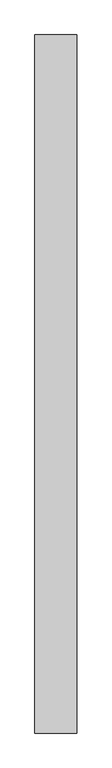
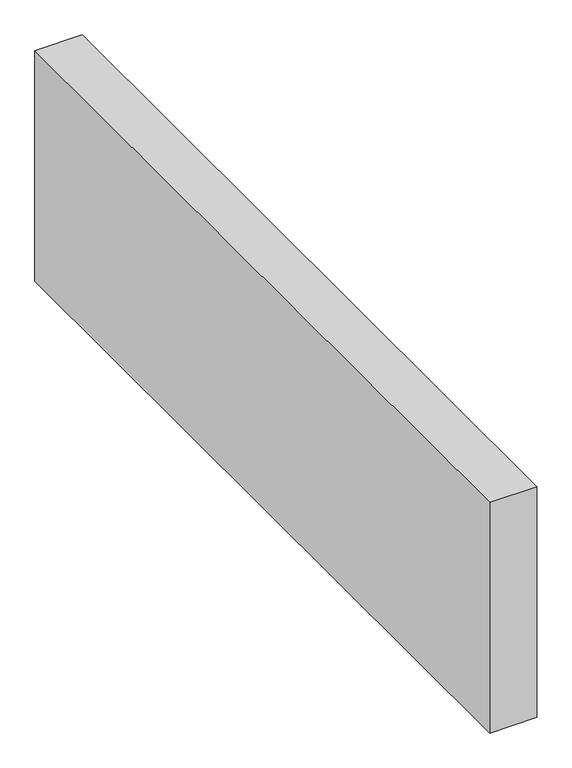
"""IFC4 building model written with IfcOpenShell, lengths in millimetres: proxy geometry."""

from ifc_helpers import new_model, si_unit, origin, origin_with_axes, place, context, project, spatial, polyline, outline, extrude, source, transform, mapped, element, save


def generic_models_dee18dba(model_context):
    return source(origin(), model_context, "Body", "SweptSolid", [
        extrude(outline(polyline([(150.0, 2505.263378), (150.0, 0.0), (0.0, 0.0), (0.0, 2505.263378), (150.0, 2505.263378)])), origin_with_axes(), (0.0, 0.0, 1.0), 776.6553396),
    ])


if __name__ == "__main__":
    model = new_model("IFC4")
    model_context = context("Model", 3, world=origin())
    ifc_project = project(units=[si_unit("LENGTHUNIT", "METRE", prefix="MILLI")], contexts=[model_context])
    site = spatial("IfcSite", under=ifc_project)
    building = spatial("IfcBuilding", under=site)
    placement = place(None, origin())
    generic_models_shape = generic_models_dee18dba(model_context)
    element("IfcBuildingElementProxy", 1, Name="Generic Models", at=placement, inside=building, context=model_context, shape_type="MappedRepresentation", body=[
        mapped(generic_models_shape, transform((0.0, 0.0, 0.0), x_axis=(1.0, 0.0, 0.0), y_axis=(0.0, 1.0, 0.0), z_axis=(0.0, 0.0, 1.0))),
    ])
    save(model, "model.ifc")
